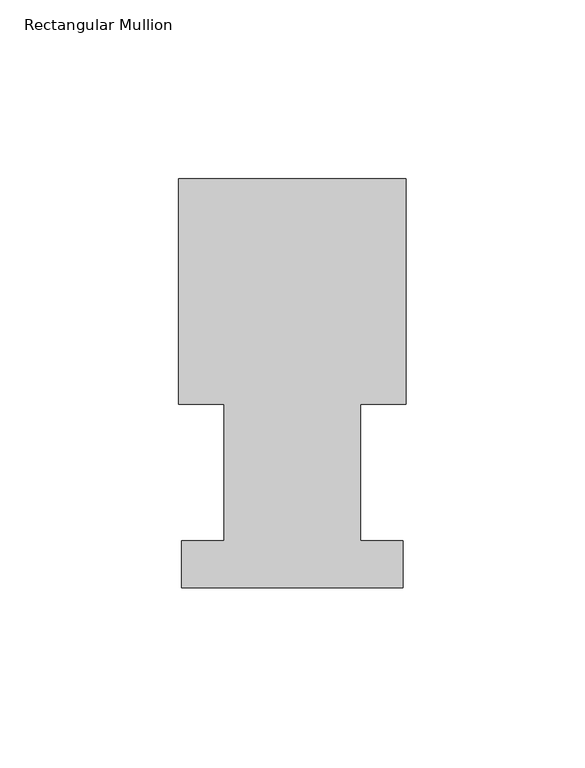
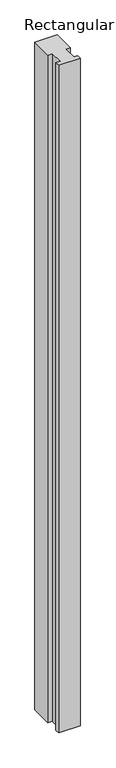
"""IFC4 building model written with IfcOpenShell, lengths in millimetres: member geometry, Rectangular Mullion."""

from ifc_helpers import new_model, si_unit, frame, origin, place, context, project, spatial, polyline, outline, extrude, source, transform, mapped, element, save


def rectangular_mullion_8a47346b(model_context):
    return source(origin(), model_context, "Body", "SweptSolid", [
        extrude(outline(polyline([(31.75, 115.5779375), (31.75, 52.5859375), (19.0508044, 52.5859375), (19.0508044, 14.4859375), (30.9626, 14.4859375), (30.9626, 1.2982575), (-30.9626003, 1.2982575), (-30.9626003, 14.4859375), (-19.0508044, 14.4859375), (-19.0508044, 52.5859375), (-31.75, 52.5859375), (-31.75, 115.5779375), (31.75, 115.5779375)])), frame((0.0, 0.0, -1993.8631894), z_axis=(0.0, 0.0, 1.0), x_axis=(1.0, 0.0, 0.0)), (0.0, 0.0, 1.0), 1993.8631894),
    ])


if __name__ == "__main__":
    model = new_model("IFC4")
    model_context = context("Model", 3, world=origin())
    ifc_project = project(units=[si_unit("LENGTHUNIT", "METRE", prefix="MILLI")], contexts=[model_context])
    site = spatial("IfcSite", under=ifc_project)
    building = spatial("IfcBuilding", under=site)
    placement = place(None, origin())
    rectangular_mullion_shape = rectangular_mullion_8a47346b(model_context)
    element("IfcMember", 1, ObjectType="Rectangular Mullion", at=placement, inside=building, context=model_context, shape_type="MappedRepresentation", body=[
        mapped(rectangular_mullion_shape, transform((0.0, 0.0, 0.0), x_axis=(1.0, 0.0, 0.0), y_axis=(0.0, 1.0, 0.0), z_axis=(0.0, 0.0, 1.0))),
    ])
    save(model, "model.ifc")
